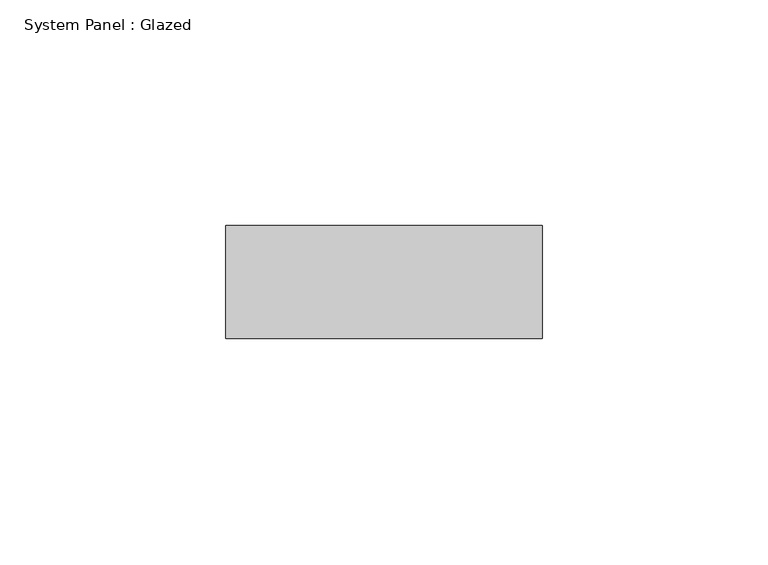
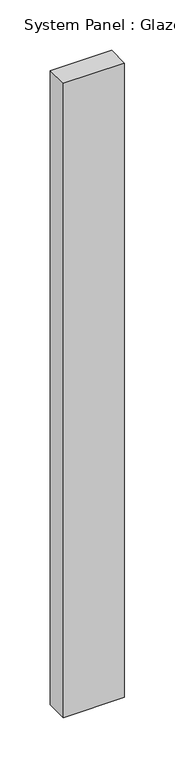
"""IFC4 building model written with IfcOpenShell, lengths in millimetres: plate geometry, System Panel : Glazed."""

from ifc_helpers import new_model, si_unit, origin, origin_with_axes, place, context, project, spatial, polyline, outline, extrude, source, transform, mapped, element, save


def system_panel_glazed_e41fac3b(model_context):
    return source(origin(), model_context, "Body", "SweptSolid", [
        extrude(outline(polyline([(35.0, 24.5), (-35.0, 24.5), (-35.0, 49.5), (35.0, 49.5), (35.0, 24.5)])), origin_with_axes(), (0.0, 0.0, 1.0), 766.6666667),
    ])


if __name__ == "__main__":
    model = new_model("IFC4")
    model_context = context("Model", 3, world=origin())
    ifc_project = project(units=[si_unit("LENGTHUNIT", "METRE", prefix="MILLI")], contexts=[model_context])
    site = spatial("IfcSite", under=ifc_project)
    building = spatial("IfcBuilding", under=site)
    placement = place(None, origin())
    system_panel_glazed_shape = system_panel_glazed_e41fac3b(model_context)
    element("IfcPlate", 1, ObjectType="System Panel : Glazed", at=placement, inside=building, context=model_context, shape_type="MappedRepresentation", body=[
        mapped(system_panel_glazed_shape, transform((0.0, 0.0, 0.0), x_axis=(1.0, 0.0, 0.0), y_axis=(0.0, 1.0, 0.0), z_axis=(0.0, 0.0, 1.0))),
    ])
    save(model, "model.ifc")
